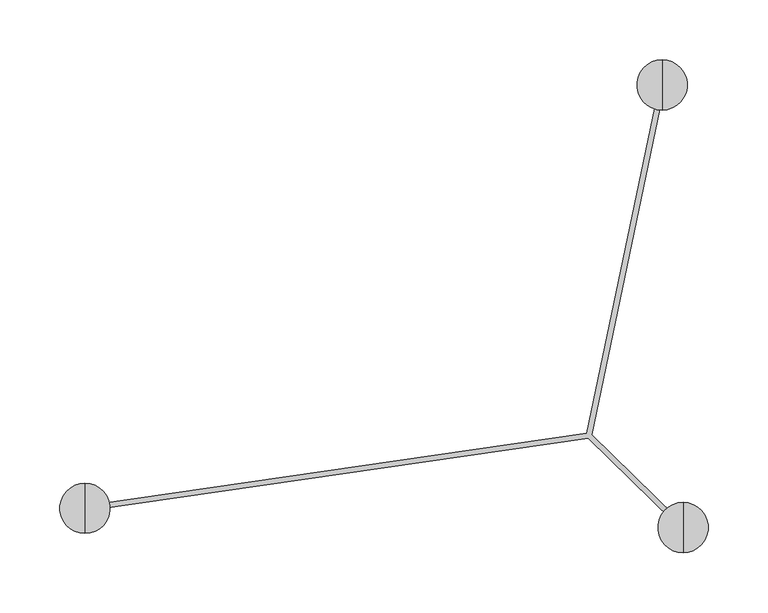
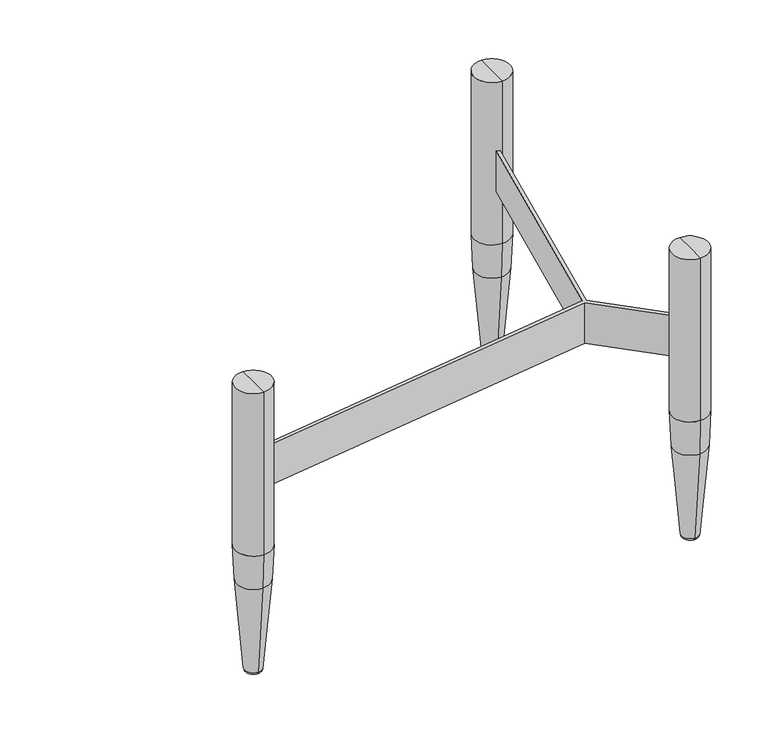
"""IFC4 building model written with IfcOpenShell, lengths in millimetres: furniture geometry."""

from ifc_helpers import new_model, si_unit, point, frame, origin, place, context, project, spatial, polyline, circle_curve, ellipse_curve, trimmed, source, transform, mapped, element, save
from ifc_brep_helpers import plane_surface, cylinder_surface, revolved_surface, advanced_brep


def furniture_0ae5594d(model_context):
    return source(origin(), model_context, "Body", "AdvancedBrep", [
        advanced_brep(
        [(175.4344045, -113.8752737, 269.9999984), (246.2183047, -183.0416053, 269.9999984), (249.0469188, -180.2129912, 269.9999984), (178.3076862, -111.0903025, 269.9999984), (237.2070165, 171.1699939, 269.9999984), (233.2913613, 171.9870747, 269.9999984), (174.4541948, -109.9753029, 269.9999984), (-235.5868323, -169.1596269, 269.9999984), (-235.0154041, -173.1185978, 269.9999984), (175.4344045, -113.8752737, 219.999998), (-235.0154041, -173.1185978, 219.999998), (-235.5868323, -169.1596269, 219.999998), (174.4541948, -109.9753029, 219.999998), (233.2913613, 171.9870747, 219.999998), (237.2070165, 171.1699939, 219.999998), (178.3076862, -111.0903025, 219.999998), (249.0469188, -180.2129912, 219.999998), (246.2183047, -183.0416053, 219.999998)],
        [
            (0, 1),
            (1, 2, circle_curve(frame((247.616265, -181.6109515, 269.9999984), z_axis=(0.0, 0.0, -1.0), x_axis=(1.0, 0.0, 0.0)), 2.0002658)),
            (2, 3),
            (3, 4),
            (4, 5, circle_curve(frame((235.2491889, 171.5785343, 269.9999984), z_axis=(0.0, 0.0, -1.0), x_axis=(1.0, 0.0, 0.0)), 1.9999985)),
            (5, 6),
            (6, 7),
            (7, 8, circle_curve(frame((-235.3011182, -171.1391123, 269.9999984), z_axis=(0.0, 0.0, -1.0), x_axis=(1.0, 0.0, 0.0)), 1.9999988)),
            (8, 0),
            (9, 10),
            (10, 11, circle_curve(frame((-235.3011182, -171.1391123, 219.999998), z_axis=(0.0, 0.0, 1.0), x_axis=(1.0, 0.0, 0.0)), 1.9999988)),
            (11, 12),
            (12, 13),
            (13, 14, circle_curve(frame((235.2491889, 171.5785343, 219.999998), z_axis=(0.0, 0.0, 1.0), x_axis=(1.0, 0.0, 0.0)), 1.9999985)),
            (14, 15),
            (15, 16),
            (16, 17, circle_curve(frame((247.616265, -181.6109515, 219.999998), z_axis=(0.0, 0.0, 1.0), x_axis=(1.0, 0.0, 0.0)), 2.0002658)),
            (17, 9),
            (0, 9),
            (17, 1),
            (16, 2),
            (15, 3),
            (14, 4),
            (13, 5),
            (12, 6),
            (11, 7),
            (10, 8),
        ],
        [
            plane_surface(frame((246.2513727, -183.0739176, 269.9999984), z_axis=(0.0, 0.0, 1.0000000000000002), x_axis=(0.7152318688029438, -0.698887239723726, 0.0))),
            plane_surface(frame((246.2513727, -183.0739176, 219.999998), z_axis=(0.0, 0.0, -1.0000000000000002), x_axis=(-0.7152318688029438, 0.698887239723726, 0.0))),
            plane_surface(frame((175.4344045, -113.8752737, 269.9999984), z_axis=(-0.698887239723726, -0.7152318688029438, 0.0), x_axis=(0.0, 0.0, -1.0))),
            revolved_surface(polyline([(249.6165308, -181.6109515, 219.999998), (249.6165308, -181.6109515, 269.9999984)]), (247.616265, -181.6109515, 219.999998), (0.0, 0.0, -1.0)),
            plane_surface(frame((249.0469188, -180.2129912, 269.9999984), z_axis=(0.698887260078803, 0.7152318489130246, 0.0), x_axis=(0.0, 0.0, -1.0))),
            plane_surface(frame((178.3076862, -111.0903025, 269.9999984), z_axis=(0.9789145133853396, -0.20427034900724997, 0.0), x_axis=(0.0, 0.0, -1.0))),
            revolved_surface(polyline([(237.2491874, 171.5785343, 219.999998), (237.2491874, 171.5785343, 269.9999984)]), (235.2491889, 171.5785343, 219.999998), (0.0, 0.0, -1.0)),
            plane_surface(frame((233.2913613, 171.9870747, 269.9999984), z_axis=(-0.9789145113103518, 0.20427035895110976, 0.0), x_axis=(0.0, 0.0, -1.0))),
            plane_surface(frame((174.4541948, -109.9753029, 269.9999984), z_axis=(-0.1428571420043561, 0.9897433187338762, 0.0), x_axis=(0.0, 0.0, -1.0))),
            revolved_surface(polyline([(-233.3011194, -171.1391123, 219.999998), (-233.3011194, -171.1391123, 269.9999984)]), (-235.3011182, -171.1391123, 219.999998), (0.0, 0.0, -1.0)),
            plane_surface(frame((-235.0154041, -173.1185978, 269.9999984), z_axis=(0.1428571362424297, -0.9897433195655386, 0.0), x_axis=(0.0, 0.0, -1.0))),
        ],
        [
            (0, [[1, 2, 3, 4, 5, 6, 7, 8, 9]]),
            (1, [[10, 11, 12, 13, 14, 15, 16, 17, 18]]),
            (2, [[-1, 19, -18, 20]]),
            (3, [[-2, -20, -17, 21]]),
            (4, [[-3, -21, -16, 22]]),
            (5, [[-4, -22, -15, 23]]),
            (6, [[-5, -23, -14, 24]]),
            (7, [[-6, -24, -13, 25]]),
            (8, [[-7, -25, -12, 26]]),
            (9, [[-8, -26, -11, 27]]),
            (10, [[-9, -27, -10, -19]]),
        ],
    ),
        advanced_brep(
        [(237.2918859, 160.3676782, 354.9999882), (237.2918859, 202.3676854, 354.9999882), (237.2918859, 202.3676854, 154.9620438), (237.2918859, 160.3676782, 154.9620438), (237.2918859, 181.3676818, 354.9999882), (237.2918859, 174.8530811, 0.0), (237.2918859, 187.8822824, 0.0), (237.2918859, 181.3676818, 0.0), (237.2918859, 171.5346609, 3.0468242), (237.2918859, 191.2007027, 3.0468242), (237.2918859, 162.1817447, 112.4467919), (237.2918859, 200.5536189, 112.4467919)],
        [
            (0, 1, circle_curve(frame((237.2918859, 181.3676818, 354.9999882), z_axis=(0.0, 0.0, -1.0), x_axis=(0.0, 1.0, 0.0)), 21.0000036)),
            (1, 2),
            (2, 3, circle_curve(frame((237.2918859, 181.3676818, 154.9620438), z_axis=(0.0, 0.0, 1.0), x_axis=(0.0, 1.0, 0.0)), 21.0000036)),
            (3, 0),
            (1, 0, circle_curve(frame((237.2918859, 181.3676818, 354.9999882), z_axis=(0.0, 0.0, -1.0), x_axis=(0.0, 1.0, 0.0)), 21.0000036)),
            (3, 2, circle_curve(frame((237.2918859, 181.3676818, 154.9620438), z_axis=(0.0, 0.0, 1.0), x_axis=(0.0, 1.0, 0.0)), 21.0000036)),
            (4, 1),
            (0, 4),
            (5, 6, circle_curve(frame((237.2918859, 181.3676818, 0.0), z_axis=(0.0, 0.0, -1.0), x_axis=(0.0, 1.0, 0.0)), 6.5146006)),
            (6, 7),
            (7, 5),
            (6, 5, circle_curve(frame((237.2918859, 181.3676818, 0.0), z_axis=(0.0, 0.0, -1.0), x_axis=(0.0, 1.0, 0.0)), 6.5146006)),
            (8, 9, circle_curve(frame((237.2918859, 181.3676818, 3.0468242), z_axis=(0.0, 0.0, -1.0), x_axis=(0.0, 1.0, 0.0)), 9.8330209)),
            (9, 6, circle_curve(frame((237.2918859, 187.8822824, 3.3305254), z_axis=(-1.0, 0.0, 0.0), x_axis=(0.0, 1.0, 0.0)), 3.3305254)),
            (5, 8, circle_curve(frame((237.2918859, 174.8530811, 3.3305254), z_axis=(-1.0, 0.0, 0.0), x_axis=(0.0, -1.0, 0.0)), 3.3305254)),
            (9, 8, circle_curve(frame((237.2918859, 181.3676818, 3.0468242), z_axis=(0.0, 0.0, -1.0), x_axis=(0.0, 1.0, 0.0)), 9.8330209)),
            (10, 11, circle_curve(frame((237.2918859, 181.3676818, 112.4467919), z_axis=(0.0, 0.0, -1.0), x_axis=(0.0, 1.0, 0.0)), 19.1859371)),
            (11, 9),
            (8, 10),
            (11, 10, circle_curve(frame((237.2918859, 181.3676818, 112.4467919), z_axis=(0.0, 0.0, -1.0), x_axis=(0.0, 1.0, 0.0)), 19.1859371)),
            (2, 11, circle_curve(frame((237.2918859, -296.7423146, 154.9620438), z_axis=(-1.0, 0.0, 0.0), x_axis=(0.0, 1.0, 0.0)), 499.11)),
            (10, 3, circle_curve(frame((237.2918859, 659.4776782, 154.9620438), z_axis=(-1.0, 0.0, 0.0), x_axis=(0.0, -1.0, 0.0)), 499.11)),
        ],
        [
            cylinder_surface(frame((237.2918859, 181.3676818, 532.7999882), z_axis=(0.0, 0.0, 1.0), x_axis=(0.0, 1.0, 0.0)), 21.0000036),
            plane_surface(frame((237.2918859, 181.3676818, 354.9999882), z_axis=(0.0, 0.0, 1.0), x_axis=(0.0, 1.0, 0.0))),
            plane_surface(frame((237.2918859, 181.3676818, 0.0), z_axis=(0.0, 0.0, -1.0), x_axis=(0.0, 1.0, 0.0))),
            revolved_surface(trimmed(ellipse_curve(frame((237.2918859, 187.8822824, 3.3305254), z_axis=(1.0, 0.0, 0.0), x_axis=(0.0, 1.0, 0.0)), 3.3305254, 3.3305254), [point((237.2918859, 187.8822824, 0.0))], [point((237.2918859, 191.2007027, 3.0468242))], True, "CARTESIAN"), (237.2918859, 181.3676818, 532.7999882), (0.0, 0.0, 1.0)),
            revolved_surface(polyline([(237.2918859, 191.2007027, 3.0468242), (237.2918859, 200.5536189, 112.4467919)]), (237.2918859, 181.3676818, 532.7999882), (0.0, 0.0, 1.0)),
            revolved_surface(trimmed(ellipse_curve(frame((237.2918859, -296.7423146, 154.9620438), z_axis=(1.0, 0.0, 0.0), x_axis=(0.0, 1.0, 0.0)), 499.11, 499.11), [point((237.2918859, 200.5536189, 112.4467919))], [point((237.2918859, 202.3676854, 154.9620438))], True, "CARTESIAN"), (237.2918859, 181.3676818, 532.7999882), (0.0, 0.0, 1.0)),
        ],
        [
            (0, [[1, 2, 3, 4]]),
            (0, [[5, -4, 6, -2]]),
            (1, [[7, -1, 8]]),
            (1, [[-8, -5, -7]]),
            (2, [[9, 10, 11]]),
            (2, [[12, -11, -10]]),
            (3, [[13, 14, -9, 15]]),
            (3, [[16, -15, -12, -14]]),
            (4, [[17, 18, -13, 19]]),
            (4, [[20, -19, -16, -18]]),
            (5, [[-3, 21, -17, 22]]),
            (5, [[-6, -22, -20, -21]]),
        ],
    ),
        advanced_brep(
        [(254.801464, -209.6323301, 354.9999882), (254.801464, -167.6323229, 354.9999882), (254.801464, -167.6323229, 154.9620438), (254.801464, -209.6323301, 154.9620438), (254.801464, -188.6323265, 354.9999882), (254.801464, -195.1469271, 0.0), (254.801464, -182.1177259, 0.0), (254.801464, -188.6323265, 0.0), (254.801464, -198.4653474, 3.0468242), (254.801464, -178.7993056, 3.0468242), (254.801464, -207.8182636, 112.4467919), (254.801464, -169.4463894, 112.4467919)],
        [
            (0, 1, circle_curve(frame((254.801464, -188.6323265, 354.9999882), z_axis=(0.0, 0.0, -1.0), x_axis=(0.0, 1.0, 0.0)), 21.0000036)),
            (1, 2),
            (2, 3, circle_curve(frame((254.801464, -188.6323265, 154.9620438), z_axis=(0.0, 0.0, 1.0), x_axis=(0.0, 1.0, 0.0)), 21.0000036)),
            (3, 0),
            (1, 0, circle_curve(frame((254.801464, -188.6323265, 354.9999882), z_axis=(0.0, 0.0, -1.0), x_axis=(0.0, 1.0, 0.0)), 21.0000036)),
            (3, 2, circle_curve(frame((254.801464, -188.6323265, 154.9620438), z_axis=(0.0, 0.0, 1.0), x_axis=(0.0, 1.0, 0.0)), 21.0000036)),
            (4, 1),
            (0, 4),
            (5, 6, circle_curve(frame((254.801464, -188.6323265, 0.0), z_axis=(0.0, 0.0, -1.0), x_axis=(0.0, 1.0, 0.0)), 6.5146006)),
            (6, 7),
            (7, 5),
            (6, 5, circle_curve(frame((254.801464, -188.6323265, 0.0), z_axis=(0.0, 0.0, -1.0), x_axis=(0.0, 1.0, 0.0)), 6.5146006)),
            (8, 9, circle_curve(frame((254.801464, -188.6323265, 3.0468242), z_axis=(0.0, 0.0, -1.0), x_axis=(0.0, 1.0, 0.0)), 9.8330209)),
            (9, 6, circle_curve(frame((254.801464, -182.1177259, 3.3305254), z_axis=(-1.0, 0.0, 0.0), x_axis=(0.0, 1.0, 0.0)), 3.3305254)),
            (5, 8, circle_curve(frame((254.801464, -195.1469271, 3.3305254), z_axis=(-1.0, 0.0, 0.0), x_axis=(0.0, -1.0, 0.0)), 3.3305254)),
            (9, 8, circle_curve(frame((254.801464, -188.6323265, 3.0468242), z_axis=(0.0, 0.0, -1.0), x_axis=(0.0, 1.0, 0.0)), 9.8330209)),
            (10, 11, circle_curve(frame((254.801464, -188.6323265, 112.4467919), z_axis=(0.0, 0.0, -1.0), x_axis=(0.0, 1.0, 0.0)), 19.1859371)),
            (11, 9),
            (8, 10),
            (11, 10, circle_curve(frame((254.801464, -188.6323265, 112.4467919), z_axis=(0.0, 0.0, -1.0), x_axis=(0.0, 1.0, 0.0)), 19.1859371)),
            (2, 11, circle_curve(frame((254.801464, -666.7423229, 154.9620438), z_axis=(-1.0, 0.0, 0.0), x_axis=(0.0, 1.0, 0.0)), 499.11)),
            (10, 3, circle_curve(frame((254.801464, 289.4776699, 154.9620438), z_axis=(-1.0, 0.0, 0.0), x_axis=(0.0, -1.0, 0.0)), 499.11)),
        ],
        [
            cylinder_surface(frame((254.801464, -188.6323265, 532.7999882), z_axis=(0.0, 0.0, 1.0), x_axis=(0.0, 1.0, 0.0)), 21.0000036),
            plane_surface(frame((254.801464, -188.6323265, 354.9999882), z_axis=(0.0, 0.0, 1.0), x_axis=(0.0, 1.0, 0.0))),
            plane_surface(frame((254.801464, -188.6323265, 0.0), z_axis=(0.0, 0.0, -1.0), x_axis=(0.0, 1.0, 0.0))),
            revolved_surface(trimmed(ellipse_curve(frame((254.801464, -182.1177259, 3.3305254), z_axis=(1.0, 0.0, 0.0), x_axis=(0.0, 1.0, 0.0)), 3.3305254, 3.3305254), [point((254.801464, -182.1177259, 0.0))], [point((254.801464, -178.7993056, 3.0468242))], True, "CARTESIAN"), (254.801464, -188.6323265, 532.7999882), (0.0, 0.0, 1.0)),
            revolved_surface(polyline([(254.801464, -178.7993056, 3.0468242), (254.801464, -169.4463894, 112.4467919)]), (254.801464, -188.6323265, 532.7999882), (0.0, 0.0, 1.0)),
            revolved_surface(trimmed(ellipse_curve(frame((254.801464, -666.7423229, 154.9620438), z_axis=(1.0, 0.0, 0.0), x_axis=(0.0, 1.0, 0.0)), 499.11, 499.11), [point((254.801464, -169.4463894, 112.4467919))], [point((254.801464, -167.6323229, 154.9620438))], True, "CARTESIAN"), (254.801464, -188.6323265, 532.7999882), (0.0, 0.0, 1.0)),
        ],
        [
            (0, [[1, 2, 3, 4]]),
            (0, [[5, -4, 6, -2]]),
            (1, [[7, -1, 8]]),
            (1, [[-8, -5, -7]]),
            (2, [[9, 10, 11]]),
            (2, [[12, -11, -10]]),
            (3, [[13, 14, -9, 15]]),
            (3, [[16, -15, -12, -14]]),
            (4, [[17, 18, -13, 19]]),
            (4, [[20, -19, -16, -18]]),
            (5, [[-3, 21, -17, 22]]),
            (5, [[-6, -22, -20, -21]]),
        ],
    ),
        advanced_brep(
        [(-245.1985398, -193.5676902, 354.9999882), (-245.1985398, -151.567683, 354.9999882), (-245.1985398, -151.567683, 154.9620438), (-245.1985398, -193.5676902, 154.9620438), (-245.1985398, -172.5676866, 354.9999882), (-245.1985398, -179.0822873, 0.0), (-245.1985398, -166.053086, 0.0), (-245.1985398, -172.5676866, 0.0), (-245.1985398, -182.4007075, 3.0468242), (-245.1985398, -162.7346657, 3.0468242), (-245.1985398, -191.7536237, 112.4467919), (-245.1985398, -153.3817495, 112.4467919)],
        [
            (0, 1, circle_curve(frame((-245.1985398, -172.5676866, 354.9999882), z_axis=(0.0, 0.0, -1.0), x_axis=(0.0, 1.0, 0.0)), 21.0000036)),
            (1, 2),
            (2, 3, circle_curve(frame((-245.1985398, -172.5676866, 154.9620438), z_axis=(0.0, 0.0, 1.0), x_axis=(0.0, 1.0, 0.0)), 21.0000036)),
            (3, 0),
            (1, 0, circle_curve(frame((-245.1985398, -172.5676866, 354.9999882), z_axis=(0.0, 0.0, -1.0), x_axis=(0.0, 1.0, 0.0)), 21.0000036)),
            (3, 2, circle_curve(frame((-245.1985398, -172.5676866, 154.9620438), z_axis=(0.0, 0.0, 1.0), x_axis=(0.0, 1.0, 0.0)), 21.0000036)),
            (4, 1),
            (0, 4),
            (5, 6, circle_curve(frame((-245.1985398, -172.5676866, 0.0), z_axis=(0.0, 0.0, -1.0), x_axis=(0.0, 1.0, 0.0)), 6.5146006)),
            (6, 7),
            (7, 5),
            (6, 5, circle_curve(frame((-245.1985398, -172.5676866, 0.0), z_axis=(0.0, 0.0, -1.0), x_axis=(0.0, 1.0, 0.0)), 6.5146006)),
            (8, 9, circle_curve(frame((-245.1985398, -172.5676866, 3.0468242), z_axis=(0.0, 0.0, -1.0), x_axis=(0.0, 1.0, 0.0)), 9.8330209)),
            (9, 6, circle_curve(frame((-245.1985398, -166.053086, 3.3305254), z_axis=(-1.0, 0.0, 0.0), x_axis=(0.0, 1.0, 0.0)), 3.3305254)),
            (5, 8, circle_curve(frame((-245.1985398, -179.0822873, 3.3305254), z_axis=(-1.0, 0.0, 0.0), x_axis=(0.0, -1.0, 0.0)), 3.3305254)),
            (9, 8, circle_curve(frame((-245.1985398, -172.5676866, 3.0468242), z_axis=(0.0, 0.0, -1.0), x_axis=(0.0, 1.0, 0.0)), 9.8330209)),
            (10, 11, circle_curve(frame((-245.1985398, -172.5676866, 112.4467919), z_axis=(0.0, 0.0, -1.0), x_axis=(0.0, 1.0, 0.0)), 19.1859371)),
            (11, 9),
            (8, 10),
            (11, 10, circle_curve(frame((-245.1985398, -172.5676866, 112.4467919), z_axis=(0.0, 0.0, -1.0), x_axis=(0.0, 1.0, 0.0)), 19.1859371)),
            (2, 11, circle_curve(frame((-245.1985398, -650.677683, 154.9620438), z_axis=(-1.0, 0.0, 0.0), x_axis=(0.0, 1.0, 0.0)), 499.11)),
            (10, 3, circle_curve(frame((-245.1985398, 305.5423098, 154.9620438), z_axis=(-1.0, 0.0, 0.0), x_axis=(0.0, -1.0, 0.0)), 499.11)),
        ],
        [
            cylinder_surface(frame((-245.1985398, -172.5676866, 532.7999882), z_axis=(0.0, 0.0, 1.0), x_axis=(0.0, 1.0, 0.0)), 21.0000036),
            plane_surface(frame((-245.1985398, -172.5676866, 354.9999882), z_axis=(0.0, 0.0, 1.0), x_axis=(0.0, 1.0, 0.0))),
            plane_surface(frame((-245.1985398, -172.5676866, 0.0), z_axis=(0.0, 0.0, -1.0), x_axis=(0.0, 1.0, 0.0))),
            revolved_surface(trimmed(ellipse_curve(frame((-245.1985398, -166.053086, 3.3305254), z_axis=(1.0, 0.0, 0.0), x_axis=(0.0, 1.0, 0.0)), 3.3305254, 3.3305254), [point((-245.1985398, -166.053086, 0.0))], [point((-245.1985398, -162.7346657, 3.0468242))], True, "CARTESIAN"), (-245.1985398, -172.5676866, 532.7999882), (0.0, 0.0, 1.0)),
            revolved_surface(polyline([(-245.1985398, -162.7346657, 3.0468242), (-245.1985398, -153.3817495, 112.4467919)]), (-245.1985398, -172.5676866, 532.7999882), (0.0, 0.0, 1.0)),
            revolved_surface(trimmed(ellipse_curve(frame((-245.1985398, -650.677683, 154.9620438), z_axis=(1.0, 0.0, 0.0), x_axis=(0.0, 1.0, 0.0)), 499.11, 499.11), [point((-245.1985398, -153.3817495, 112.4467919))], [point((-245.1985398, -151.567683, 154.9620438))], True, "CARTESIAN"), (-245.1985398, -172.5676866, 532.7999882), (0.0, 0.0, 1.0)),
        ],
        [
            (0, [[1, 2, 3, 4]]),
            (0, [[5, -4, 6, -2]]),
            (1, [[7, -1, 8]]),
            (1, [[-8, -5, -7]]),
            (2, [[9, 10, 11]]),
            (2, [[12, -11, -10]]),
            (3, [[13, 14, -9, 15]]),
            (3, [[16, -15, -12, -14]]),
            (4, [[17, 18, -13, 19]]),
            (4, [[20, -19, -16, -18]]),
            (5, [[-3, 21, -17, 22]]),
            (5, [[-6, -22, -20, -21]]),
        ],
    ),
    ])


if __name__ == "__main__":
    model = new_model("IFC4")
    model_context = context("Model", 3, world=origin())
    ifc_project = project(units=[si_unit("LENGTHUNIT", "METRE", prefix="MILLI")], contexts=[model_context])
    site = spatial("IfcSite", under=ifc_project)
    building = spatial("IfcBuilding", under=site)
    placement = place(None, origin())
    furniture_shape = furniture_0ae5594d(model_context)
    element("IfcFurniture", 1, at=placement, inside=building, context=model_context, shape_type="MappedRepresentation", body=[
        mapped(furniture_shape, transform((0.0, 0.0, 0.0), x_axis=(1.0, 0.0, 0.0), y_axis=(0.0, 1.0, 0.0), z_axis=(0.0, 0.0, 1.0))),
    ])
    save(model, "model.ifc")
